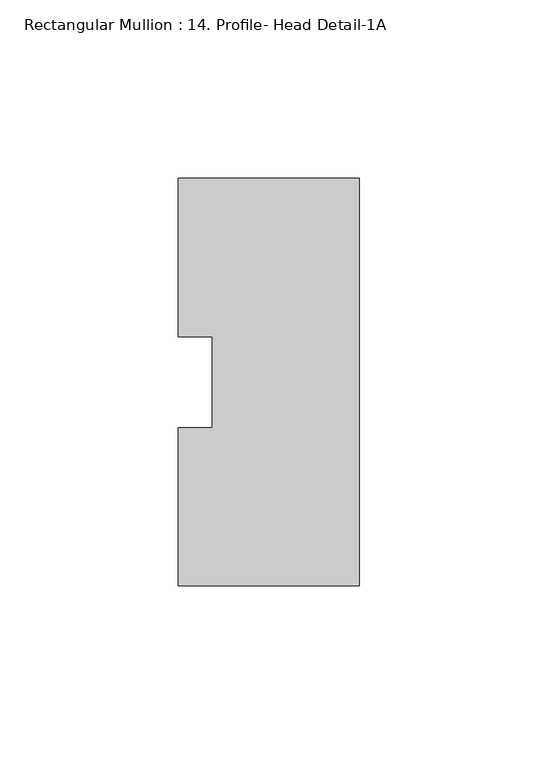
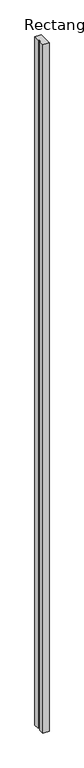
"""IFC4 building model written with IfcOpenShell, lengths in millimetres: member geometry, Rectangular Mullion : 14. Profile- Head Detail-1A."""

from ifc_helpers import new_model, si_unit, frame, origin, place, context, project, spatial, polyline, outline, extrude, source, transform, mapped, element, save


def rectangular_mullion_14_profile_head_detail_1a_92342169(model_context):
    return source(origin(), model_context, "Body", "SweptSolid", [
        extrude(outline(polyline([(0.0, 58.7398965), (0.0, -55.5601035), (-50.8, -55.560167), (-50.8, -11.1651061), (-41.275, -11.1651061), (-41.275, 14.3225922), (-50.8, 14.3225922), (-50.8, 58.7398965), (0.0, 58.7398965)])), frame((0.0, 0.0, -6000.75), z_axis=(0.0, 0.0, 1.0), x_axis=(1.0, 0.0, 0.0)), (0.0, 0.0, 1.0), 6000.75),
    ])


if __name__ == "__main__":
    model = new_model("IFC4")
    model_context = context("Model", 3, world=origin())
    ifc_project = project(units=[si_unit("LENGTHUNIT", "METRE", prefix="MILLI")], contexts=[model_context])
    site = spatial("IfcSite", under=ifc_project)
    building = spatial("IfcBuilding", under=site)
    placement = place(None, origin())
    rectangular_mullion_14_profile_head_detail_1a_shape = rectangular_mullion_14_profile_head_detail_1a_92342169(model_context)
    element("IfcMember", 1, ObjectType="Rectangular Mullion : 14. Profile- Head Detail-1A", at=placement, inside=building, context=model_context, shape_type="MappedRepresentation", body=[
        mapped(rectangular_mullion_14_profile_head_detail_1a_shape, transform((0.0, 0.0, 0.0), x_axis=(1.0, 0.0, 0.0), y_axis=(0.0, 1.0, 0.0), z_axis=(0.0, 0.0, 1.0))),
    ])
    save(model, "model.ifc")
